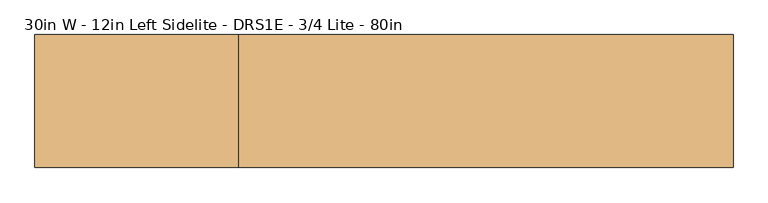
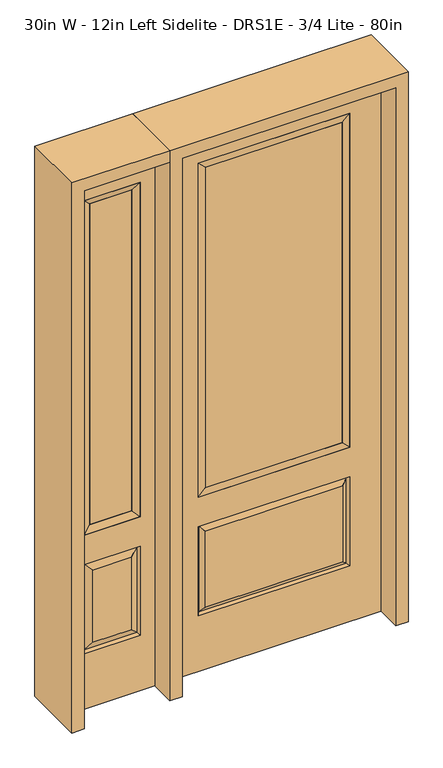
"""IFC4 building model written with IfcOpenShell, lengths in millimetres: door geometry, 30in W - 12in Left Sidelite - DRS1E - 3/4 Lite - 80in."""

import ifcopenshell
import ifcopenshell.guid

model = None  # the IFC model being written
_history = None  # IfcOwnerHistory: only IFC2X3 demands one
_inside = {}  # id of a spatial element -> (the spatial element, [elements in it])
_under = {}  # id of a project, library or spatial element -> (it, [spatial elements below it])
_declared = {}  # id of a project -> (the project, [libraries it declares])
_typed = {}  # id of a type object -> (the type object, [elements of that type])
_made_of = {}  # id of a material, layer set ... -> (it, [elements and type objects made of it])


def new_model(schema):
    """Start an empty IFC model of exactly this schema.

    Asked for "IFC4X3", IfcOpenShell would pick the latest addendum, in which some entities
    have other attributes; the version numbers below select the first issue.
    IFC2X3 requires an IfcOwnerHistory on every rooted entity: one is made here for all.
    """
    global model, _history
    if schema == "IFC4X3":
        model = ifcopenshell.file(schema_version=(4, 3, 0, 0))
    else:
        model = ifcopenshell.file(schema=schema)
    _inside.clear()
    _under.clear()
    _declared.clear()
    _typed.clear()
    _made_of.clear()
    _history = None
    if model.schema == "IFC2X3":
        org = make("IfcOrganization", Name="unknown")
        user = make(
            "IfcPersonAndOrganization",
            ThePerson=make("IfcPerson", FamilyName="unknown"),
            TheOrganization=org,
        )
        app = make(
            "IfcApplication",
            ApplicationDeveloper=org,
            Version="unknown",
            ApplicationFullName="unknown",
            ApplicationIdentifier="unknown",
        )
        _history = make(
            "IfcOwnerHistory",
            OwningUser=user,
            OwningApplication=app,
            ChangeAction="ADDED",
            CreationDate=0,
        )
    return model


def make(cls, **values):
    """One entity of the class cls with the attributes given. An attribute that is None is left unset."""
    return model.create_entity(
        cls, **{name: value for name, value in values.items() if value is not None}
    )


def rooted(cls, **values):
    """An entity with a GlobalId (a new one), such as an element, a storey or a relation."""
    return make(cls, GlobalId=ifcopenshell.guid.new(), OwnerHistory=_history, **values)


def si_unit(unit_type, name, prefix=None):
    """IfcSIUnit, for example si_unit("LENGTHUNIT", "METRE", prefix="MILLI")."""
    return make("IfcSIUnit", UnitType=unit_type, Prefix=prefix, Name=name)


def assignment(units):
    """IfcUnitAssignment: the units of a project."""
    return None if units is None else make("IfcUnitAssignment", Units=units)


def point(xyz):
    """IfcCartesianPoint."""
    return None if xyz is None else make("IfcCartesianPoint", Coordinates=xyz)


def direction(xyz):
    """IfcDirection."""
    return None if xyz is None else make("IfcDirection", DirectionRatios=xyz)


def frame(location, z_axis=None, x_axis=None):
    """IfcAxis2Placement3D, a coordinate frame: its origin and axes. An axis left out is left unset."""
    return make(
        "IfcAxis2Placement3D",
        Location=point(location),
        Axis=direction(z_axis),
        RefDirection=direction(x_axis),
    )


def origin():
    """The frame at (0, 0, 0) with its axes left unset."""
    return frame((0.0, 0.0, 0.0))


def place(relative_to, where):
    """IfcLocalPlacement: puts the frame where relative to a parent placement (None: the world)."""
    return make(
        "IfcLocalPlacement", PlacementRelTo=relative_to, RelativePlacement=where
    )


def context(
    kind, dimensions, precision=None, world=None, true_north=None, identifier=None
):
    """IfcGeometricRepresentationContext, for example the 3D "Model" context."""
    return make(
        "IfcGeometricRepresentationContext",
        ContextIdentifier=identifier,
        ContextType=kind,
        CoordinateSpaceDimension=dimensions,
        Precision=precision,
        WorldCoordinateSystem=world,
        TrueNorth=true_north,
    )


def project(units=None, contexts=None):
    """IfcProject with its units and contexts."""
    return rooted(
        "IfcProject",
        Name="project",
        RepresentationContexts=contexts,
        UnitsInContext=assignment(units),
    )


def spatial(cls, under=None, at=None, **own):
    """A site, building, storey or space (cls), placed at a placement, below another one or the project."""
    s = rooted(cls, ObjectPlacement=at, **own)
    if under is not None:
        _under.setdefault(under.id(), (under, []))[1].append(s)
    return s


def polyline(points):
    """IfcPolyline through the points."""
    return make("IfcPolyline", Points=[point(p) for p in points])


def outline(outer, holes=None, kind="AREA"):
    """IfcArbitraryClosedProfileDef: a profile drawn as a closed curve; with holes, ...WithVoids."""
    if holes is None:
        return make("IfcArbitraryClosedProfileDef", ProfileType=kind, OuterCurve=outer)
    return make(
        "IfcArbitraryProfileDefWithVoids",
        ProfileType=kind,
        OuterCurve=outer,
        InnerCurves=holes,
    )


def extrude(swept, where, along, depth):
    """IfcExtrudedAreaSolid: the profile swept, set in the frame where, extruded along a direction by depth."""
    return make(
        "IfcExtrudedAreaSolid",
        SweptArea=swept,
        Position=where,
        ExtrudedDirection=direction(along),
        Depth=depth,
    )


def faces_of(points, faces, orient=None, outer=None):
    """IfcFace entities. A face is a list of loops; a loop is a list of indices into points, from 0.

    orient and outer hold one flag for each loop. By default every Orientation is true, the
    first loop of a face is its IfcFaceOuterBound and the others are IfcFaceBound.
    """
    made = []
    for i, loops in enumerate(faces):
        bounds = []
        for j, loop in enumerate(loops):
            is_outer = j == 0 if outer is None else outer[i][j]
            bounds.append(
                make(
                    "IfcFaceOuterBound" if is_outer else "IfcFaceBound",
                    Bound=make("IfcPolyLoop", Polygon=[points[k] for k in loop]),
                    Orientation=True if orient is None else orient[i][j],
                )
            )
        made.append(make("IfcFace", Bounds=bounds))
    return made


def faceted_brep(points, faces, orient=None, outer=None, voids=None):
    """IfcFacetedBrep: a solid bounded by flat faces; with voids (closed shells), ...WithVoids."""
    shared = [point(p) for p in points]
    hull = make("IfcClosedShell", CfsFaces=faces_of(shared, faces, orient, outer))
    if voids is None:
        return make("IfcFacetedBrep", Outer=hull)
    return make(
        "IfcFacetedBrepWithVoids",
        Outer=hull,
        Voids=[
            make(cls, CfsFaces=faces_of(shared, fs, o, b)) for cls, fs, o, b in voids
        ],
    )


def shape(context_of_items, identifier, shape_type, items):
    """IfcShapeRepresentation: the items that make up one representation, for example the "Body"."""
    return make(
        "IfcShapeRepresentation",
        ContextOfItems=context_of_items,
        RepresentationIdentifier=identifier,
        RepresentationType=shape_type,
        Items=items,
    )


def source(mapping_origin, context_of_items, identifier, shape_type, items):
    """IfcRepresentationMap: a shape defined once, which mapped items show again and again."""
    return make(
        "IfcRepresentationMap",
        MappingOrigin=mapping_origin,
        MappedRepresentation=shape(context_of_items, identifier, shape_type, items),
    )


def transform(
    local_origin,
    x_axis=None,
    y_axis=None,
    z_axis=None,
    scale=None,
    scale2=None,
    scale3=None,
    uniform=True,
):
    """IfcCartesianTransformationOperator3D, or its non-uniform kind. x_axis, y_axis, z_axis: its Axis1, 2, 3."""
    if uniform:
        return make(
            "IfcCartesianTransformationOperator3D",
            Axis1=direction(x_axis),
            Axis2=direction(y_axis),
            LocalOrigin=point(local_origin),
            Scale=scale,
            Axis3=direction(z_axis),
        )
    return make(
        "IfcCartesianTransformationOperator3DnonUniform",
        Axis1=direction(x_axis),
        Axis2=direction(y_axis),
        LocalOrigin=point(local_origin),
        Scale=scale,
        Axis3=direction(z_axis),
        Scale2=scale2,
        Scale3=scale3,
    )


def mapped(mapping_source, mapping_target):
    """IfcMappedItem: shows the shape of a source again, moved by a transform."""
    return make(
        "IfcMappedItem", MappingSource=mapping_source, MappingTarget=mapping_target
    )


def made_of(thing, what):
    """Note that an element or type object is made of a material, layer set ...; save() writes the relation."""
    if what is not None:
        _made_of.setdefault(what.id(), (what, []))[1].append(thing)
    return thing


def element(
    cls,
    number,
    at=None,
    inside=None,
    cuts=None,
    type_object=None,
    material=None,
    context=None,
    identifier="Body",
    shape_type=None,
    held_by="IfcProductDefinitionShape",
    body=None,
    shapes=None,
    **own,
):
    """One element of the class cls, such as IfcWall. Its Tag is "e" and its number.

    at: its placement. inside: the storey or other place that contains it. cuts: it is an
    opening in that element (IfcRelVoidsElement). A single representation is given by context,
    identifier, shape_type and body (its items); several are given by shapes. held_by: the class
    of the entity that holds the representations. save() writes the other relations.
    """
    e = rooted(cls, Tag="e%d" % number, ObjectPlacement=at, **own)
    if body is not None:
        shapes = [shape(context, identifier, shape_type, body)]
    if shapes is not None:
        e.Representation = make(held_by, Representations=shapes)
    if inside is not None:
        _inside.setdefault(inside.id(), (inside, []))[1].append(e)
    if cuts is not None:
        rooted(
            "IfcRelVoidsElement", RelatingBuildingElement=cuts, RelatedOpeningElement=e
        )
    if type_object is not None:
        _typed.setdefault(type_object.id(), (type_object, []))[1].append(e)
    return made_of(e, material)


def aggregate(whole, parts):
    """IfcRelAggregates: a whole, such as a stair, and the parts it consists of."""
    return rooted("IfcRelAggregates", RelatingObject=whole, RelatedObjects=parts)


def save(model, path):
    """Write the relations noted so far, then the file.

    IfcRelAggregates (storeys below a building ...), IfcRelContainedInSpatialStructure (elements
    in a storey), IfcRelDefinesByType, IfcRelAssociatesMaterial and IfcRelDeclares: one each for
    every whole, place, type object, material and project.
    """
    for whole, parts in _under.values():
        aggregate(whole, parts)
    for where, things in _inside.values():
        rooted(
            "IfcRelContainedInSpatialStructure",
            RelatedElements=things,
            RelatingStructure=where,
        )
    for kind, things in _typed.values():
        rooted("IfcRelDefinesByType", RelatedObjects=things, RelatingType=kind)
    for what, things in _made_of.values():
        rooted("IfcRelAssociatesMaterial", RelatedObjects=things, RelatingMaterial=what)
    for by, libraries in _declared.values():
        rooted("IfcRelDeclares", RelatingContext=by, RelatedDefinitions=libraries)
    model.write(path)


def door_30in_w_12in_left_sidelite_drs1e_3_4_lite_80in_ece25748(model_context):
    return source(origin(), model_context, "Body", "SolidModel", [
        faceted_brep([(-730.25, -22.225, 0.0), (-425.45, -22.225, 0.0), (-425.45, -22.225, 2032.0), (-730.25, -22.225, 2032.0), (-477.52, -22.225, 1919.224), (-477.52, -22.225, 657.098), (-678.18, -22.225, 657.098), (-678.18, -22.225, 1919.224), (-477.52, -22.225, 209.55), (-678.18, -22.225, 209.55), (-678.18, -22.225, 546.1), (-477.52, -22.225, 546.1), (-646.4648999, -22.225, 241.2651001), (-509.2351001, -22.225, 241.2651001), (-509.2351001, -22.225, 514.3848999), (-646.4648999, -22.225, 514.3848999), (-730.25, 22.225, 0.0), (-730.25, 22.225, 2032.0), (-425.45, 22.225, 2032.0), (-425.45, 22.225, 0.0), (-477.52, 22.225, 1919.224), (-678.18, 22.225, 1919.224), (-678.18, 22.225, 657.098), (-477.52, 22.225, 657.098), (-678.18, 22.225, 209.55), (-477.52, 22.225, 209.55), (-477.52, 22.225, 546.1), (-678.18, 22.225, 546.1), (-509.2351001, 22.225, 241.2651001), (-646.4648999, 22.225, 241.2651001), (-646.4648999, 22.225, 514.3848999), (-509.2351001, 22.225, 514.3848999), (-484.6288501, 12.7912373, 216.6588501), (-671.0711499, 12.7912373, 216.6588501), (-671.0711499, 12.7912373, 538.9911499), (-484.6288501, 12.7912373, 538.9911499), (-671.0711499, -12.7912373, 216.6588501), (-484.6288501, -12.7912373, 216.6588501), (-671.0711499, -12.7912373, 538.9911499), (-484.6288501, -12.7912373, 538.9911499)], [[[0, 1, 2, 3], [4, 5, 6, 7], [8, 9, 10, 11]], [[12, 13, 14, 15]], [[16, 17, 18, 19], [20, 21, 22, 23], [24, 25, 26, 27]], [[28, 29, 30, 31]], [[1, 0, 16, 19]], [[2, 1, 19, 18]], [[3, 2, 18, 17]], [[0, 3, 17, 16]], [[5, 4, 20, 23]], [[6, 5, 23, 22]], [[7, 6, 22, 21]], [[4, 7, 21, 20]], [[32, 33, 29, 28]], [[33, 32, 25, 24]], [[29, 33, 34, 30]], [[33, 24, 27, 34]], [[30, 34, 35, 31]], [[34, 27, 26, 35]], [[32, 28, 31, 35]], [[25, 32, 35, 26]], [[12, 36, 37, 13]], [[37, 36, 9, 8]], [[36, 12, 15, 38]], [[9, 36, 38, 10]], [[38, 15, 14, 39]], [[10, 38, 39, 11]], [[13, 37, 39, 14]], [[37, 8, 11, 39]]]),
        faceted_brep([(-678.18, 22.225, 1919.224), (-678.18, -22.225, 1919.224), (-477.52, -22.225, 1919.224), (-477.52, 22.225, 1919.224), (-652.78, 12.7, 1893.824), (-502.92, 12.7, 1893.824), (-652.78, -12.7, 1893.824), (-502.92, -12.7, 1893.824), (-477.52, -22.225, 657.098), (-477.52, 22.225, 657.098), (-502.92, 12.7, 682.498), (-502.92, -12.7, 682.498), (-678.18, -22.225, 657.098), (-678.18, 22.225, 657.098), (-652.78, 12.7, 682.498), (-652.78, -12.7, 682.498)], [[[0, 1, 2, 3]], [[4, 0, 3, 5]], [[6, 4, 5, 7]], [[1, 6, 7, 2]], [[3, 2, 8, 9]], [[5, 3, 9, 10]], [[7, 5, 10, 11]], [[2, 7, 11, 8]], [[9, 8, 12, 13]], [[10, 9, 13, 14]], [[11, 10, 14, 15]], [[8, 11, 15, 12]], [[13, 12, 1, 0]], [[14, 13, 0, 4]], [[15, 14, 4, 6]], [[12, 15, 6, 1]]]),
        extrude(outline(polyline([(-502.92, -12.7), (-652.78, -12.7), (-652.78, 12.7), (-502.92, 12.7), (-502.92, -12.7)])), frame((0.0, 0.0, 682.498), z_axis=(0.0, 0.0, 1.0), x_axis=(1.0, 0.0, 0.0)), (0.0, 0.0, 1.0), 1211.326),
        faceted_brep([(-262.7661499, -12.7912373, 216.6588501), (262.7661499, -12.7912373, 216.6588501), (245.26875, -22.225, 234.15625), (-245.26875, -22.225, 234.15625), (-269.875, -22.225, 209.55), (269.875, -22.225, 209.55), (-262.7661499, -12.7912373, 538.9911499), (-269.875, -22.225, 546.1), (245.26875, -22.225, 521.49375), (-245.26875, -22.225, 521.49375), (381.0, -22.225, 2032.0), (-381.0, -22.225, 2032.0), (-381.0, -22.225, 0.0), (381.0, -22.225, 0.0), (269.875, -22.225, 546.1), (269.875, -22.225, 1917.7), (269.875, -22.225, 657.098), (-269.875, -22.225, 657.098), (-269.875, -22.225, 1917.7), (262.7661499, -12.7912373, 538.9911499), (-381.0, 22.225, 2032.0), (-381.0, 22.225, 0.0), (381.0, 22.225, 0.0), (381.0, 22.225, 2032.0), (269.875, 22.225, 1917.7), (269.875, 22.225, 657.098), (-269.875, 22.225, 657.098), (-269.875, 22.225, 1917.7), (-269.875, 22.225, 209.55), (269.875, 22.225, 209.55), (269.875, 22.225, 546.1), (-269.875, 22.225, 546.1), (245.26875, 22.225, 234.15625), (-245.26875, 22.225, 234.15625), (-245.26875, 22.225, 521.49375), (245.26875, 22.225, 521.49375), (-262.7661499, 12.7912373, 216.6588501), (262.7661499, 12.7912373, 216.6588501), (262.7661499, 12.7912373, 538.9911499), (-262.7661499, 12.7912373, 538.9911499)], [[[0, 1, 2, 3]], [[1, 0, 4, 5]], [[4, 0, 6, 7]], [[3, 2, 8, 9]], [[10, 11, 12, 13], [5, 4, 7, 14], [15, 16, 17, 18]], [[1, 5, 14, 19]], [[2, 1, 19, 8]], [[0, 3, 9, 6]], [[7, 6, 19, 14]], [[6, 9, 8, 19]], [[12, 11, 20, 21]], [[13, 12, 21, 22]], [[10, 13, 22, 23]], [[16, 15, 24, 25]], [[17, 16, 25, 26]], [[18, 17, 26, 27]], [[23, 22, 21, 20], [28, 29, 30, 31], [24, 27, 26, 25]], [[32, 33, 34, 35]], [[28, 36, 37, 29]], [[29, 37, 38, 30]], [[39, 31, 30, 38]], [[36, 28, 31, 39]], [[37, 36, 33, 32]], [[33, 36, 39, 34]], [[34, 39, 38, 35]], [[37, 32, 35, 38]], [[11, 10, 23, 20]], [[15, 18, 27, 24]]]),
        faceted_brep([(-269.875, -22.225, 1917.7), (-269.875, 22.225, 1917.7), (-269.875, 22.225, 657.098), (-269.875, -22.225, 657.098), (269.875, 22.225, 657.098), (269.875, -22.225, 657.098), (-244.475, 5.08, 682.498), (244.475, 5.08, 682.498), (269.875, 22.225, 1917.7), (269.875, -22.225, 1917.7), (-244.475, -20.32, 682.498), (244.475, -20.32, 682.498), (-244.475, -20.32, 1892.3), (244.475, -20.32, 1892.3), (-244.475, 5.08, 1892.3), (244.475, 5.08, 1892.3)], [[[0, 1, 2, 3]], [[3, 2, 4, 5]], [[2, 6, 7, 4]], [[5, 4, 8, 9]], [[10, 3, 5, 11]], [[12, 0, 3, 10]], [[11, 5, 9, 13]], [[6, 10, 11, 7]], [[14, 12, 10, 6]], [[7, 11, 13, 15]], [[1, 14, 6, 2]], [[4, 7, 15, 8]], [[9, 8, 1, 0]], [[13, 9, 0, 12]], [[15, 13, 12, 14]], [[8, 15, 14, 1]]]),
        extrude(outline(polyline([(244.475, -20.32), (-244.475, -20.32), (-244.475, 5.08), (244.475, 5.08), (244.475, -20.32)])), frame((0.0, 0.0, 682.498), z_axis=(0.0, 0.0, 1.0), x_axis=(1.0, 0.0, 0.0)), (0.0, 0.0, 1.0), 1209.802),
        extrude(outline(polyline([(2032.0, -425.45), (2076.45, -425.45), (2076.45, -774.7), (0.0, -774.7), (0.0, -730.25), (2032.0, -730.25), (2032.0, -425.45)])), frame((0.0, -114.3, 0.0), z_axis=(0.0, 1.0, 0.0), x_axis=(0.0, 0.0, 1.0)), (0.0, 0.0, 1.0), 228.6),
        extrude(outline(polyline([(2076.45, -425.45), (0.0, -425.45), (0.0, -381.0), (2032.0, -381.0), (2032.0, 381.0), (0.0, 381.0), (0.0, 425.45), (2076.45, 425.45), (2076.45, -425.45)])), frame((0.0, -114.3, 0.0), z_axis=(0.0, 1.0, 0.0), x_axis=(0.0, 0.0, 1.0)), (0.0, 0.0, 1.0), 228.6),
    ])


if __name__ == "__main__":
    model = new_model("IFC4")
    model_context = context("Model", 3, world=origin())
    ifc_project = project(units=[si_unit("LENGTHUNIT", "METRE", prefix="MILLI")], contexts=[model_context])
    site = spatial("IfcSite", under=ifc_project)
    building = spatial("IfcBuilding", under=site)
    placement = place(None, origin())
    door_30in_w_12in_left_sidelite_drs1e_3_4_lite_80in_shape = door_30in_w_12in_left_sidelite_drs1e_3_4_lite_80in_ece25748(model_context)
    element("IfcDoor", 1, ObjectType="30in W - 12in Left Sidelite - DRS1E - 3/4 Lite - 80in", at=placement, inside=building, context=model_context, shape_type="MappedRepresentation", body=[
        mapped(door_30in_w_12in_left_sidelite_drs1e_3_4_lite_80in_shape, transform((0.0, 0.0, 0.0), x_axis=(1.0, 0.0, 0.0), y_axis=(0.0, 1.0, 0.0), z_axis=(0.0, 0.0, 1.0))),
    ])
    save(model, "model.ifc")
